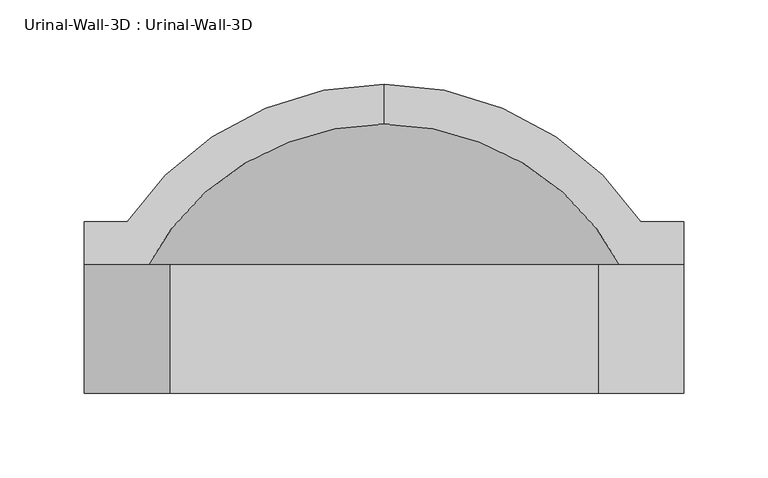
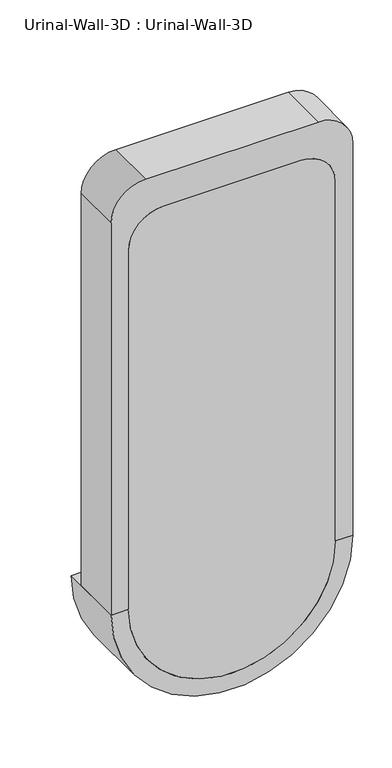
"""IFC4 building model written with IfcOpenShell, lengths in millimetres: flow terminal geometry, Urinal-Wall-3D : Urinal-Wall-3D."""

import ifcopenshell
import ifcopenshell.guid

model = None  # the IFC model being written
_history = None  # IfcOwnerHistory: only IFC2X3 demands one
_inside = {}  # id of a spatial element -> (the spatial element, [elements in it])
_under = {}  # id of a project, library or spatial element -> (it, [spatial elements below it])
_declared = {}  # id of a project -> (the project, [libraries it declares])
_typed = {}  # id of a type object -> (the type object, [elements of that type])
_made_of = {}  # id of a material, layer set ... -> (it, [elements and type objects made of it])


def new_model(schema):
    """Start an empty IFC model of exactly this schema.

    Asked for "IFC4X3", IfcOpenShell would pick the latest addendum, in which some entities
    have other attributes; the version numbers below select the first issue.
    IFC2X3 requires an IfcOwnerHistory on every rooted entity: one is made here for all.
    """
    global model, _history
    if schema == "IFC4X3":
        model = ifcopenshell.file(schema_version=(4, 3, 0, 0))
    else:
        model = ifcopenshell.file(schema=schema)
    _inside.clear()
    _under.clear()
    _declared.clear()
    _typed.clear()
    _made_of.clear()
    _history = None
    if model.schema == "IFC2X3":
        org = make("IfcOrganization", Name="unknown")
        user = make(
            "IfcPersonAndOrganization",
            ThePerson=make("IfcPerson", FamilyName="unknown"),
            TheOrganization=org,
        )
        app = make(
            "IfcApplication",
            ApplicationDeveloper=org,
            Version="unknown",
            ApplicationFullName="unknown",
            ApplicationIdentifier="unknown",
        )
        _history = make(
            "IfcOwnerHistory",
            OwningUser=user,
            OwningApplication=app,
            ChangeAction="ADDED",
            CreationDate=0,
        )
    return model


def make(cls, **values):
    """One entity of the class cls with the attributes given. An attribute that is None is left unset."""
    return model.create_entity(
        cls, **{name: value for name, value in values.items() if value is not None}
    )


def rooted(cls, **values):
    """An entity with a GlobalId (a new one), such as an element, a storey or a relation."""
    return make(cls, GlobalId=ifcopenshell.guid.new(), OwnerHistory=_history, **values)


def si_unit(unit_type, name, prefix=None):
    """IfcSIUnit, for example si_unit("LENGTHUNIT", "METRE", prefix="MILLI")."""
    return make("IfcSIUnit", UnitType=unit_type, Prefix=prefix, Name=name)


def assignment(units):
    """IfcUnitAssignment: the units of a project."""
    return None if units is None else make("IfcUnitAssignment", Units=units)


def point(xyz):
    """IfcCartesianPoint."""
    return None if xyz is None else make("IfcCartesianPoint", Coordinates=xyz)


def direction(xyz):
    """IfcDirection."""
    return None if xyz is None else make("IfcDirection", DirectionRatios=xyz)


def frame(location, z_axis=None, x_axis=None):
    """IfcAxis2Placement3D, a coordinate frame: its origin and axes. An axis left out is left unset."""
    return make(
        "IfcAxis2Placement3D",
        Location=point(location),
        Axis=direction(z_axis),
        RefDirection=direction(x_axis),
    )


def frame_2d(location, x_axis=None):
    """IfcAxis2Placement2D, a coordinate frame in the plane: its origin and x axis."""
    return make(
        "IfcAxis2Placement2D", Location=point(location), RefDirection=direction(x_axis)
    )


def origin():
    """The frame at (0, 0, 0) with its axes left unset."""
    return frame((0.0, 0.0, 0.0))


def place(relative_to, where):
    """IfcLocalPlacement: puts the frame where relative to a parent placement (None: the world)."""
    return make(
        "IfcLocalPlacement", PlacementRelTo=relative_to, RelativePlacement=where
    )


def context(
    kind, dimensions, precision=None, world=None, true_north=None, identifier=None
):
    """IfcGeometricRepresentationContext, for example the 3D "Model" context."""
    return make(
        "IfcGeometricRepresentationContext",
        ContextIdentifier=identifier,
        ContextType=kind,
        CoordinateSpaceDimension=dimensions,
        Precision=precision,
        WorldCoordinateSystem=world,
        TrueNorth=true_north,
    )


def project(units=None, contexts=None):
    """IfcProject with its units and contexts."""
    return rooted(
        "IfcProject",
        Name="project",
        RepresentationContexts=contexts,
        UnitsInContext=assignment(units),
    )


def spatial(cls, under=None, at=None, **own):
    """A site, building, storey or space (cls), placed at a placement, below another one or the project."""
    s = rooted(cls, ObjectPlacement=at, **own)
    if under is not None:
        _under.setdefault(under.id(), (under, []))[1].append(s)
    return s


def polyline(points):
    """IfcPolyline through the points."""
    return make("IfcPolyline", Points=[point(p) for p in points])


def circle_curve(where, radius):
    """IfcCircle in the frame where."""
    return make("IfcCircle", Position=where, Radius=radius)


def ellipse_curve(where, semi_axis1, semi_axis2):
    """IfcEllipse in the frame where."""
    return make(
        "IfcEllipse", Position=where, SemiAxis1=semi_axis1, SemiAxis2=semi_axis2
    )


def trimmed(basis, trim1, trim2, sense, master):
    """IfcTrimmedCurve: the piece of a basis curve between two trims."""
    return make(
        "IfcTrimmedCurve",
        BasisCurve=basis,
        Trim1=trim1,
        Trim2=trim2,
        SenseAgreement=sense,
        MasterRepresentation=master,
    )


def segment(curve, same_sense, transition):
    """IfcCompositeCurveSegment."""
    return make(
        "IfcCompositeCurveSegment",
        Transition=transition,
        SameSense=same_sense,
        ParentCurve=curve,
    )


def composite_curve(segments, self_intersect=None):
    """IfcCompositeCurve: segments joined end to end."""
    return make("IfcCompositeCurve", Segments=segments, SelfIntersect=self_intersect)


def outline(outer, holes=None, kind="AREA"):
    """IfcArbitraryClosedProfileDef: a profile drawn as a closed curve; with holes, ...WithVoids."""
    if holes is None:
        return make("IfcArbitraryClosedProfileDef", ProfileType=kind, OuterCurve=outer)
    return make(
        "IfcArbitraryProfileDefWithVoids",
        ProfileType=kind,
        OuterCurve=outer,
        InnerCurves=holes,
    )


def extrude(swept, where, along, depth):
    """IfcExtrudedAreaSolid: the profile swept, set in the frame where, extruded along a direction by depth."""
    return make(
        "IfcExtrudedAreaSolid",
        SweptArea=swept,
        Position=where,
        ExtrudedDirection=direction(along),
        Depth=depth,
    )


def shape(context_of_items, identifier, shape_type, items):
    """IfcShapeRepresentation: the items that make up one representation, for example the "Body"."""
    return make(
        "IfcShapeRepresentation",
        ContextOfItems=context_of_items,
        RepresentationIdentifier=identifier,
        RepresentationType=shape_type,
        Items=items,
    )


def source(mapping_origin, context_of_items, identifier, shape_type, items):
    """IfcRepresentationMap: a shape defined once, which mapped items show again and again."""
    return make(
        "IfcRepresentationMap",
        MappingOrigin=mapping_origin,
        MappedRepresentation=shape(context_of_items, identifier, shape_type, items),
    )


def transform(
    local_origin,
    x_axis=None,
    y_axis=None,
    z_axis=None,
    scale=None,
    scale2=None,
    scale3=None,
    uniform=True,
):
    """IfcCartesianTransformationOperator3D, or its non-uniform kind. x_axis, y_axis, z_axis: its Axis1, 2, 3."""
    if uniform:
        return make(
            "IfcCartesianTransformationOperator3D",
            Axis1=direction(x_axis),
            Axis2=direction(y_axis),
            LocalOrigin=point(local_origin),
            Scale=scale,
            Axis3=direction(z_axis),
        )
    return make(
        "IfcCartesianTransformationOperator3DnonUniform",
        Axis1=direction(x_axis),
        Axis2=direction(y_axis),
        LocalOrigin=point(local_origin),
        Scale=scale,
        Axis3=direction(z_axis),
        Scale2=scale2,
        Scale3=scale3,
    )


def mapped(mapping_source, mapping_target):
    """IfcMappedItem: shows the shape of a source again, moved by a transform."""
    return make(
        "IfcMappedItem", MappingSource=mapping_source, MappingTarget=mapping_target
    )


def made_of(thing, what):
    """Note that an element or type object is made of a material, layer set ...; save() writes the relation."""
    if what is not None:
        _made_of.setdefault(what.id(), (what, []))[1].append(thing)
    return thing


def element(
    cls,
    number,
    at=None,
    inside=None,
    cuts=None,
    type_object=None,
    material=None,
    context=None,
    identifier="Body",
    shape_type=None,
    held_by="IfcProductDefinitionShape",
    body=None,
    shapes=None,
    **own,
):
    """One element of the class cls, such as IfcWall. Its Tag is "e" and its number.

    at: its placement. inside: the storey or other place that contains it. cuts: it is an
    opening in that element (IfcRelVoidsElement). A single representation is given by context,
    identifier, shape_type and body (its items); several are given by shapes. held_by: the class
    of the entity that holds the representations. save() writes the other relations.
    """
    e = rooted(cls, Tag="e%d" % number, ObjectPlacement=at, **own)
    if body is not None:
        shapes = [shape(context, identifier, shape_type, body)]
    if shapes is not None:
        e.Representation = make(held_by, Representations=shapes)
    if inside is not None:
        _inside.setdefault(inside.id(), (inside, []))[1].append(e)
    if cuts is not None:
        rooted(
            "IfcRelVoidsElement", RelatingBuildingElement=cuts, RelatedOpeningElement=e
        )
    if type_object is not None:
        _typed.setdefault(type_object.id(), (type_object, []))[1].append(e)
    return made_of(e, material)


def aggregate(whole, parts):
    """IfcRelAggregates: a whole, such as a stair, and the parts it consists of."""
    return rooted("IfcRelAggregates", RelatingObject=whole, RelatedObjects=parts)


def save(model, path):
    """Write the relations noted so far, then the file.

    IfcRelAggregates (storeys below a building ...), IfcRelContainedInSpatialStructure (elements
    in a storey), IfcRelDefinesByType, IfcRelAssociatesMaterial and IfcRelDeclares: one each for
    every whole, place, type object, material and project.
    """
    for whole, parts in _under.values():
        aggregate(whole, parts)
    for where, things in _inside.values():
        rooted(
            "IfcRelContainedInSpatialStructure",
            RelatedElements=things,
            RelatingStructure=where,
        )
    for kind, things in _typed.values():
        rooted("IfcRelDefinesByType", RelatedObjects=things, RelatingType=kind)
    for what, things in _made_of.values():
        rooted("IfcRelAssociatesMaterial", RelatedObjects=things, RelatingMaterial=what)
    for by, libraries in _declared.values():
        rooted("IfcRelDeclares", RelatingContext=by, RelatedDefinitions=libraries)
    model.write(path)


def plane_surface(at):
    """IfcPlane: the flat surface through the origin of the frame at, square to its z axis."""
    return make("IfcPlane", Position=at)


def cylinder_surface(at, radius):
    """IfcCylindricalSurface: all points at the distance radius from the z axis of the frame at."""
    return make("IfcCylindricalSurface", Position=at, Radius=radius)


def revolved_surface(curve, axis_point, axis_direction):
    """IfcSurfaceOfRevolution: the curve turned about the line through axis_point along axis_direction."""
    return make(
        "IfcSurfaceOfRevolution",
        SweptCurve=make("IfcArbitraryOpenProfileDef", ProfileType="CURVE", Curve=curve),
        AxisPosition=make("IfcAxis1Placement", Location=point(axis_point), Axis=direction(axis_direction)),
    )


def advanced_brep(points, edges, surfaces, faces):
    """IfcAdvancedBrep: a solid bounded by faces that lie on surfaces and meet in shared edges.

    An edge is (start, end): straight between two places in points (the first is 0);
    or (start, end, curve); or (start, end, curve, False) where it runs against its curve.
    A face is (place in surfaces, loops), or (place, loops, False) where it looks against
    its surface's normal. A loop lists edges by number (the first is 1), with a minus sign
    where the edge is run from its end to its start. The first loop is the outer one.
    """
    corners = [point(p) for p in points]
    vertices = [make("IfcVertexPoint", VertexGeometry=c) for c in corners]
    made = []
    for start, end, *more in edges:
        made.append(
            make(
                "IfcEdgeCurve",
                EdgeStart=vertices[start],
                EdgeEnd=vertices[end],
                EdgeGeometry=more[0] if more else make("IfcPolyline", Points=[corners[start], corners[end]]),
                SameSense=more[1] if len(more) > 1 else True,
            )
        )
    hull = []
    for where, loops, *sense in faces:
        bounds = []
        for j, loop in enumerate(loops):
            ring = [make("IfcOrientedEdge", EdgeElement=made[abs(k) - 1], Orientation=k > 0) for k in loop]
            bounds.append(
                make(
                    "IfcFaceOuterBound" if j == 0 else "IfcFaceBound",
                    Bound=make("IfcEdgeLoop", EdgeList=ring),
                    Orientation=True,
                )
            )
        hull.append(make("IfcAdvancedFace", Bounds=bounds, FaceSurface=surfaces[where], SameSense=sense[0] if sense else True))
    return make("IfcAdvancedBrep", Outer=make("IfcClosedShell", CfsFaces=hull))


def urinal_wall_3d_urinal_wall_3d_b67806af(model_context):
    return source(origin(), model_context, "Body", "SolidModel", [
        extrude(outline(composite_curve([segment(polyline([(609.6, 43.3254001), (609.6, 68.7254001), (1219.2, 68.7254001)]), True, "CONTINUOUS"), segment(trimmed(circle_curve(frame_2d((1219.2, 17.9254001)), 50.8), [point((1219.2, 68.7254001))], [point((1270.0, 17.9254001))], False, "CARTESIAN"), True, "CONTINUOUS"), segment(polyline([(1270.0, 17.9254001), (1270.0, -236.0745999)]), True, "CONTINUOUS"), segment(trimmed(circle_curve(frame_2d((1219.2, -236.0745999)), 50.8), [point((1270.0, -236.0745999))], [point((1219.2, -286.8745999))], False, "CARTESIAN"), True, "CONTINUOUS"), segment(polyline([(1219.2, -286.8745999), (609.6, -286.8745999), (609.6, -261.4745999), (1168.4, -261.4745999)]), True, "CONTINUOUS"), segment(trimmed(circle_curve(frame_2d((1168.4, -210.6745999)), 50.8), [point((1168.4, -261.4745999))], [point((1219.2, -210.6745999))], True, "CARTESIAN"), True, "CONTINUOUS"), segment(polyline([(1219.2, -210.6745999), (1219.2, -7.4745999)]), True, "CONTINUOUS"), segment(trimmed(circle_curve(frame_2d((1168.4, -7.4745999)), 50.8), [point((1219.2, -7.4745999))], [point((1168.4, 43.3254001))], True, "CARTESIAN"), True, "CONTINUOUS"), segment(polyline([(1168.4, 43.3254001), (609.6, 43.3254001)]), True, "CONTINUOUS")], self_intersect=False)), frame((0.0, 171.45, 0.0), z_axis=(0.0, 1.0, 0.0), x_axis=(0.0, 0.0, 1.0)), (0.0, 0.0, 1.0), 76.2),
        extrude(outline(composite_curve([segment(trimmed(circle_curve(frame_2d((1168.4, -7.4745999)), 50.8), [point((1168.4, 43.3254001))], [point((1219.2, -7.4745999))], False, "CARTESIAN"), True, "CONTINUOUS"), segment(polyline([(1219.2, -7.4745999), (1219.2, -210.6745999)]), True, "CONTINUOUS"), segment(trimmed(circle_curve(frame_2d((1168.4, -210.6745999)), 50.8), [point((1219.2, -210.6745999))], [point((1168.4, -261.4745999))], False, "CARTESIAN"), True, "CONTINUOUS"), segment(polyline([(1168.4, -261.4745999), (609.6, -261.4745999)]), True, "CONTINUOUS"), segment(trimmed(circle_curve(frame_2d((609.6, -109.0745999)), 152.4), [point((609.6, -261.4745999))], [point((609.6, 43.3254001))], False, "CARTESIAN"), True, "CONTINUOUS"), segment(polyline([(609.6, 43.3254001), (1168.4, 43.3254001)]), True, "CONTINUOUS")], self_intersect=False)), frame((0.0, 171.45, 0.0), z_axis=(0.0, 1.0, 0.0), x_axis=(0.0, 0.0, 1.0)), (0.0, 0.0, 1.0), 12.7),
        advanced_brep(
        [(-109.0745999, 354.6120048, 609.6), (-109.0745999, 330.8947043, 609.6), (43.3254001, 218.3206063, 609.6), (43.3254001, 171.45, 609.6), (68.7254001, 171.45, 609.6), (68.7254001, 273.05, 609.6), (43.3254001, 273.05, 609.6), (-261.4745999, 273.05, 609.6), (-286.8745999, 273.05, 609.6), (-286.8745999, 171.45, 609.6), (-261.4745999, 171.45, 609.6), (-261.4745999, 218.3206063, 609.6)],
        [
            (0, 1),
            (1, 2, circle_curve(frame((-109.0745999, 171.45, 609.6), z_axis=(0.0, 0.0, -1.0), x_axis=(1.0, 0.0, 0.0)), 159.4447043)),
            (2, 3),
            (3, 4),
            (4, 5),
            (5, 6),
            (6, 0, circle_curve(frame((-109.0745999, 171.45, 609.6), z_axis=(0.0, 0.0, 1.0), x_axis=(1.0, 0.0, 0.0)), 183.1620048)),
            (0, 7, circle_curve(frame((-109.0745999, 171.45, 609.6), z_axis=(0.0, 0.0, 1.0), x_axis=(-1.0, 0.0, 0.0)), 183.1620048)),
            (7, 8),
            (8, 9),
            (9, 10),
            (10, 11),
            (11, 1, circle_curve(frame((-109.0745999, 171.45, 609.6), z_axis=(0.0, 0.0, -1.0), x_axis=(-1.0, 0.0, 0.0)), 159.4447043)),
            (11, 2, circle_curve(frame((-109.0745999, 218.3206063, 609.6), z_axis=(0.0, -1.0, 0.0), x_axis=(1.0, 0.0, 0.0)), 152.4)),
            (10, 3, circle_curve(frame((-109.0745999, 171.45, 609.6), z_axis=(0.0, -1.0, 0.0), x_axis=(1.0, 0.0, 0.0)), 152.4)),
            (9, 4, circle_curve(frame((-109.0745999, 171.45, 609.6), z_axis=(0.0, -1.0, 0.0), x_axis=(1.0, 0.0, 0.0)), 177.8)),
            (8, 5, circle_curve(frame((-109.0745999, 273.05, 609.6), z_axis=(0.0, -1.0, 0.0), x_axis=(1.0, 0.0, 0.0)), 177.8)),
            (7, 6, circle_curve(frame((-109.0745999, 273.05, 609.6), z_axis=(0.0, -1.0, 0.0), x_axis=(1.0, 0.0, 0.0)), 152.4)),
        ],
        [
            plane_surface(frame((-109.0745999, 460.6604173, 609.6), z_axis=(0.0, 0.0, 1.0), x_axis=(1.0, 0.0, 0.0))),
            plane_surface(frame((-109.0745999, 460.6604173, 609.6), z_axis=(0.0, 0.0, 1.0), x_axis=(-1.0, 0.0, 0.0))),
            revolved_surface(trimmed(ellipse_curve(frame((-109.0745999, 171.45, 609.6), z_axis=(0.0, 0.0, -1.0), x_axis=(1.0, 0.0, 0.0)), 159.4447043, 159.4447043), [point((-109.0745999, 330.8947043, 609.6))], [point((43.3254001, 218.3206063, 609.6))], True, "CARTESIAN"), (-109.0745999, 460.6604173, 609.6), (0.0, 1.0, 0.0)),
            revolved_surface(polyline([(43.32540010000001, 218.3206063, 609.6), (43.32540010000001, 171.45, 609.6)]), (-109.0745999, 460.6604173, 609.6), (0.0, 1.0, 0.0)),
            plane_surface(frame((-109.0745999, 171.45, 609.6), z_axis=(0.0, -1.0, 0.0), x_axis=(1.0, 0.0, 0.0))),
            cylinder_surface(frame((-109.0745999, 460.6604173, 609.6), z_axis=(0.0, 1.0, 0.0), x_axis=(1.0, 0.0, 0.0)), 177.8),
            plane_surface(frame((-109.0745999, 273.05, 609.6), z_axis=(0.0, 1.0, 0.0), x_axis=(1.0, 0.0, 0.0))),
            revolved_surface(trimmed(ellipse_curve(frame((-109.0745999, 171.45, 609.6), z_axis=(0.0, 0.0, 1.0), x_axis=(1.0, 0.0, 0.0)), 183.1620048, 183.1620048), [point((43.3254001, 273.05, 609.6))], [point((-109.0745999, 354.6120048, 609.6))], True, "CARTESIAN"), (-109.0745999, 460.6604173, 609.6), (0.0, 1.0, 0.0)),
        ],
        [
            (0, [[1, 2, 3, 4, 5, 6, 7]]),
            (1, [[8, 9, 10, 11, 12, 13, -1]]),
            (2, [[14, -2, -13]]),
            (3, [[15, -3, -14, -12]]),
            (4, [[16, -4, -15, -11]]),
            (5, [[17, -5, -16, -10]]),
            (6, [[18, -6, -17, -9]]),
            (7, [[-7, -18, -8]]),
        ],
    ),
    ])


if __name__ == "__main__":
    model = new_model("IFC4")
    model_context = context("Model", 3, world=origin())
    ifc_project = project(units=[si_unit("LENGTHUNIT", "METRE", prefix="MILLI")], contexts=[model_context])
    site = spatial("IfcSite", under=ifc_project)
    building = spatial("IfcBuilding", under=site)
    placement = place(None, origin())
    urinal_wall_3d_urinal_wall_3d_shape = urinal_wall_3d_urinal_wall_3d_b67806af(model_context)
    element("IfcFlowTerminal", 1, ObjectType="Urinal-Wall-3D : Urinal-Wall-3D", at=placement, inside=building, context=model_context, shape_type="MappedRepresentation", body=[
        mapped(urinal_wall_3d_urinal_wall_3d_shape, transform((0.0, 0.0, 0.0), x_axis=(1.0, 0.0, 0.0), y_axis=(0.0, 1.0, 0.0), z_axis=(0.0, 0.0, 1.0))),
    ])
    save(model, "model.ifc")
